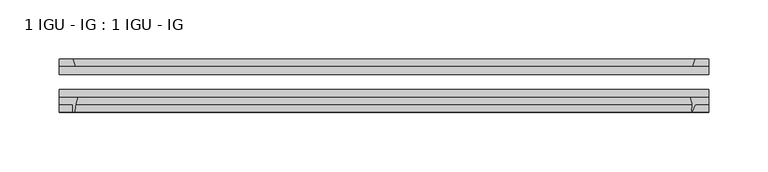
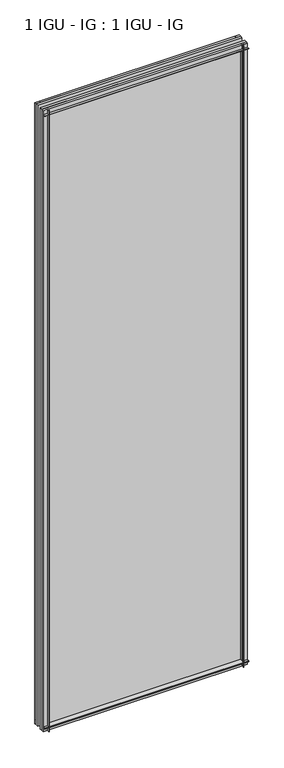
"""IFC4 building model written with IfcOpenShell, lengths in millimetres: plate geometry, 1 IGU - IG : 1 IGU - IG."""

from ifc_helpers import new_model, si_unit, point, frame, frame_2d, origin, place, context, project, spatial, polyline, circle_curve, trimmed, segment, composite_curve, outline, extrude, source, transform, mapped, element, save


def plate_1_igu_ig_1_igu_ig_4df58164(model_context):
    return source(origin(), model_context, "Body", "SweptSolid", [
        extrude(outline(polyline([(273.1261935, -31.75), (273.1261935, -38.1), (-273.1261935, -38.1), (-273.1261935, -31.75), (273.1261935, -31.75)])), frame((0.0, 0.0, -11.1125), z_axis=(0.0, 0.0, 1.0), x_axis=(1.0, 0.0, 0.0)), (0.0, 0.0, 1.0), 1755.775),
        extrude(outline(polyline([(-273.1261935, -12.7), (273.1261935, -12.7), (273.1261935, -19.05), (-273.1261935, -19.05), (-273.1261935, -12.7)])), frame((0.0, 0.0, -11.1125), z_axis=(0.0, 0.0, 1.0), x_axis=(1.0, 0.0, 0.0)), (0.0, 0.0, 1.0), 1755.775),
        extrude(outline(polyline([(273.1261935, -12.7), (259.894815, -12.7), (262.0000921, -6.35), (273.1261935, -6.35), (273.1261935, -12.7)])), frame((0.0, 0.0, -11.1125), z_axis=(0.0, 0.0, 1.0), x_axis=(1.0, 0.0, 0.0)), (0.0, 0.0, 1.0), 1755.775),
        extrude(outline(composite_curve([segment(polyline([(257.8189128, -38.1), (273.1261935, -38.1), (273.1261935, -44.45), (262.0000921, -44.45), (259.5926807, -50.2620054)]), True, "CONTINUOUS"), segment(trimmed(circle_curve(frame_2d((259.6046479, -49.5000993)), 0.762), [point((259.5926807, -50.2620054))], [point((258.8541482, -49.3682124))], False, "CARTESIAN"), True, "CONTINUOUS"), segment(trimmed(circle_curve(frame_2d((222.8786717, -43.0461661)), 36.5267461), [point((258.8541482, -49.3682124))], [point((259.3452196, -45.1423684))], True, "CARTESIAN"), True, "CONTINUOUS"), segment(trimmed(circle_curve(frame_2d((249.8359173, -44.5957463)), 9.525), [point((259.3452196, -45.1423684))], [point((259.0786966, -42.2942999))], True, "CARTESIAN"), True, "CONTINUOUS"), segment(trimmed(circle_curve(frame_2d((214.5598965, -53.3794536)), 45.8781451), [point((259.0786966, -42.2942999))], [point((257.8189128, -38.1))], True, "CARTESIAN"), True, "CONTINUOUS")], self_intersect=False)), frame((0.0, 0.0, -11.1125), z_axis=(0.0, 0.0, 1.0), x_axis=(1.0, 0.0, 0.0)), (0.0, 0.0, 1.0), 1755.775),
        extrude(outline(composite_curve([segment(polyline([(-273.1261935, -38.1), (-257.8325142, -38.1)]), True, "CONTINUOUS"), segment(trimmed(circle_curve(frame_2d((-214.5734979, -53.3794536)), 45.8781451), [point((-257.8325142, -38.1))], [point((-260.3337507, -50.0925922))], True, "CARTESIAN"), True, "CONTINUOUS"), segment(trimmed(circle_curve(frame_2d((-261.0937926, -50.038)), 0.762), [point((-260.3337507, -50.0925922))], [point((-261.0937926, -50.8))], False, "CARTESIAN"), True, "CONTINUOUS"), segment(polyline([(-261.0937926, -50.8), (-262.0136935, -50.8), (-262.0136935, -44.45), (-273.1261935, -44.45), (-273.1261935, -38.1)]), True, "CONTINUOUS")], self_intersect=False)), frame((0.0, 0.0, -11.1125), z_axis=(0.0, 0.0, 1.0), x_axis=(1.0, 0.0, 0.0)), (0.0, 0.0, 1.0), 1755.775),
        extrude(outline(polyline([(-259.9084164, -12.7), (-273.1261935, -12.7), (-273.1261935, -6.35), (-262.0136935, -6.35), (-259.9084164, -12.7)])), frame((0.0, 0.0, -11.1125), z_axis=(0.0, 0.0, 1.0), x_axis=(1.0, 0.0, 0.0)), (0.0, 0.0, 1.0), 1755.775),
        extrude(outline(polyline([(-12.7, -11.1125), (-12.7, 2.1052771), (-6.35, 0.0), (-6.35, -11.1125), (-12.7, -11.1125)])), frame((-273.1261935, 0.0, 0.0), z_axis=(1.0, 0.0, 0.0), x_axis=(0.0, 1.0, 0.0)), (0.0, 0.0, 1.0), 546.252387),
        extrude(outline(composite_curve([segment(polyline([(-38.1, 4.1811793), (-38.1, -11.1125), (-44.45, -11.1125), (-44.45, 0.0), (-50.8, 0.0), (-50.8, 0.9199009)]), True, "CONTINUOUS"), segment(trimmed(circle_curve(frame_2d((-50.038, 0.9199009)), 0.762), [point((-50.8, 0.9199009))], [point((-50.0925922, 1.6799428))], False, "CARTESIAN"), True, "CONTINUOUS"), segment(trimmed(circle_curve(frame_2d((-53.3794536, 47.4401956)), 45.8781451), [point((-50.0925922, 1.6799428))], [point((-38.1, 4.1811793))], True, "CARTESIAN"), True, "CONTINUOUS")], self_intersect=False)), frame((-273.1261935, 0.0, 0.0), z_axis=(1.0, 0.0, 0.0), x_axis=(0.0, 1.0, 0.0)), (0.0, 0.0, 1.0), 546.252387),
        extrude(outline(polyline([(-6.35, 1733.55), (-12.7, 1731.4447229), (-12.7, 1744.6625), (-6.35, 1744.6625), (-6.35, 1733.55)])), frame((-273.1261935, 0.0, 0.0), z_axis=(1.0, 0.0, 0.0), x_axis=(0.0, 1.0, 0.0)), (0.0, 0.0, 1.0), 546.252387),
        extrude(outline(composite_curve([segment(polyline([(-38.1, 1744.6625), (-38.1, 1729.3688207)]), True, "CONTINUOUS"), segment(trimmed(circle_curve(frame_2d((-53.3794536, 1686.1098044)), 45.8781451), [point((-38.1, 1729.3688207))], [point((-50.0925922, 1731.8700572))], True, "CARTESIAN"), True, "CONTINUOUS"), segment(trimmed(circle_curve(frame_2d((-50.038, 1732.6300991)), 0.762), [point((-50.0925922, 1731.8700572))], [point((-50.8, 1732.6300991))], False, "CARTESIAN"), True, "CONTINUOUS"), segment(polyline([(-50.8, 1732.6300991), (-50.8, 1733.55), (-44.45, 1733.55), (-44.45, 1744.6625), (-38.1, 1744.6625)]), True, "CONTINUOUS")], self_intersect=False)), frame((-273.1261935, 0.0, 0.0), z_axis=(1.0, 0.0, 0.0), x_axis=(0.0, 1.0, 0.0)), (0.0, 0.0, 1.0), 546.252387),
    ])


if __name__ == "__main__":
    model = new_model("IFC4")
    model_context = context("Model", 3, world=origin())
    ifc_project = project(units=[si_unit("LENGTHUNIT", "METRE", prefix="MILLI")], contexts=[model_context])
    site = spatial("IfcSite", under=ifc_project)
    building = spatial("IfcBuilding", under=site)
    placement = place(None, origin())
    plate_1_igu_ig_1_igu_ig_shape = plate_1_igu_ig_1_igu_ig_4df58164(model_context)
    element("IfcPlate", 1, ObjectType="1 IGU - IG : 1 IGU - IG", at=placement, inside=building, context=model_context, shape_type="MappedRepresentation", body=[
        mapped(plate_1_igu_ig_1_igu_ig_shape, transform((0.0, 0.0, 0.0), x_axis=(1.0, 0.0, 0.0), y_axis=(0.0, 1.0, 0.0), z_axis=(0.0, 0.0, 1.0))),
    ])
    save(model, "model.ifc")
